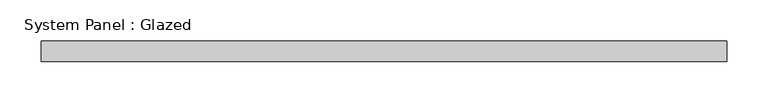
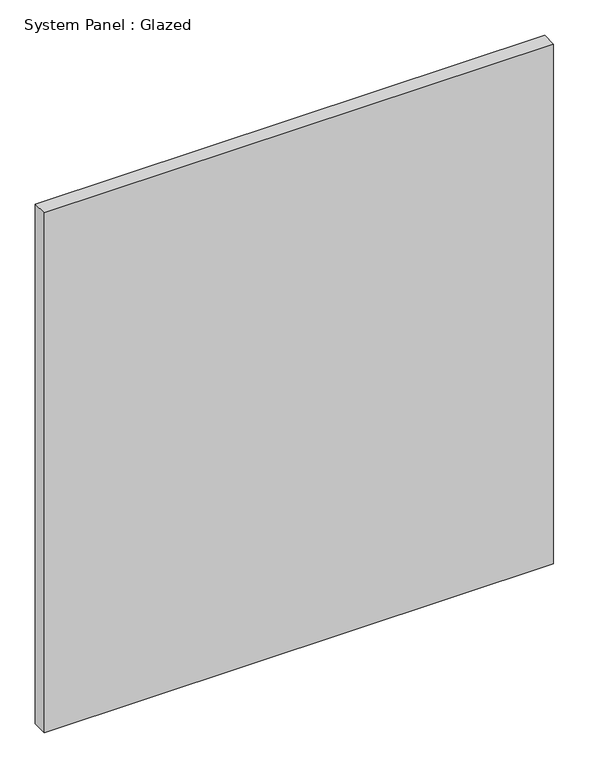
"""IFC4 building model written with IfcOpenShell, lengths in millimetres: plate geometry, System Panel : Glazed."""

from ifc_helpers import new_model, si_unit, origin, origin_with_axes, place, context, project, spatial, polyline, outline, extrude, source, transform, mapped, element, save


def system_panel_glazed_dfb33b5d(model_context):
    return source(origin(), model_context, "Body", "SweptSolid", [
        extrude(outline(polyline([(417.45, 19.05), (-417.45, 19.05), (-417.45, 44.45), (417.45, 44.45), (417.45, 19.05)])), origin_with_axes(), (0.0, 0.0, 1.0), 900.0),
    ])


if __name__ == "__main__":
    model = new_model("IFC4")
    model_context = context("Model", 3, world=origin())
    ifc_project = project(units=[si_unit("LENGTHUNIT", "METRE", prefix="MILLI")], contexts=[model_context])
    site = spatial("IfcSite", under=ifc_project)
    building = spatial("IfcBuilding", under=site)
    placement = place(None, origin())
    system_panel_glazed_shape = system_panel_glazed_dfb33b5d(model_context)
    element("IfcPlate", 1, ObjectType="System Panel : Glazed", at=placement, inside=building, context=model_context, shape_type="MappedRepresentation", body=[
        mapped(system_panel_glazed_shape, transform((0.0, 0.0, 0.0), x_axis=(1.0, 0.0, 0.0), y_axis=(0.0, 1.0, 0.0), z_axis=(0.0, 0.0, 1.0))),
    ])
    save(model, "model.ifc")
